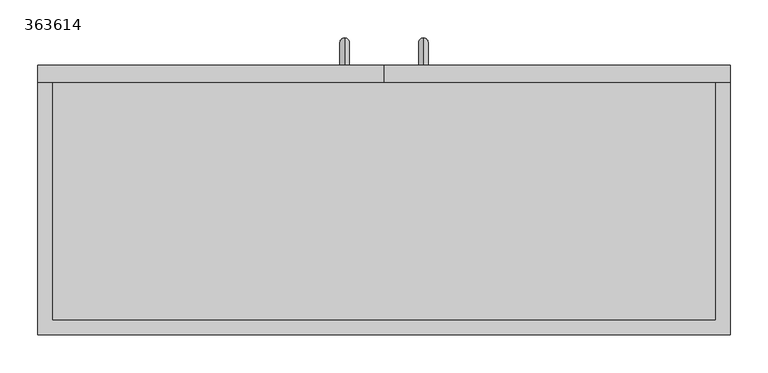
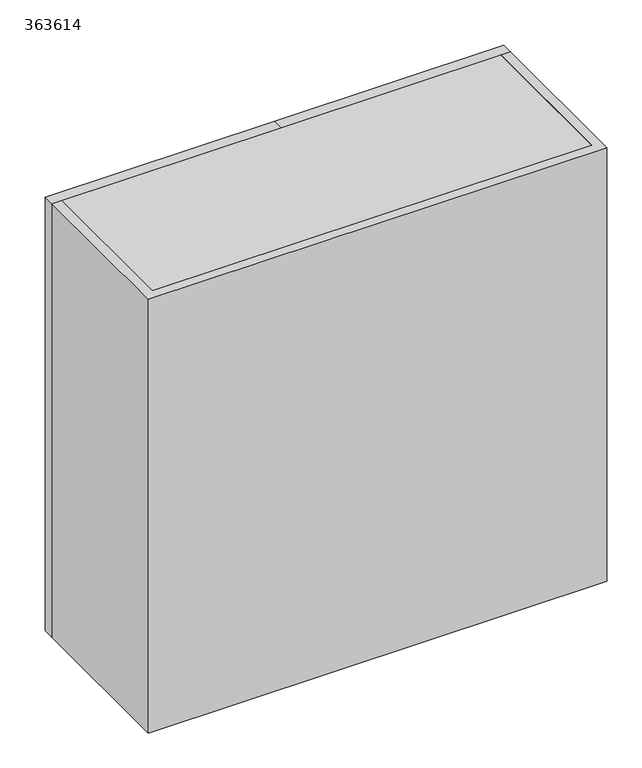
"""IFC4 building model written with IfcOpenShell, lengths in millimetres: furniture geometry, 363614."""

from ifc_helpers import new_model, si_unit, frame, origin, place, context, project, spatial, polyline, circle_curve, ellipse_curve, outline, extrude, source, transform, mapped, element, save
from ifc_brep_helpers import plane_surface, cylinder_surface, advanced_brep


def furniture_363614_cc723a0d(model_context):
    return source(origin(), model_context, "Body", "SolidModel", [
        extrude(outline(polyline([(457.2, 397.1), (0.0, 397.1), (0.0, 419.1), (457.2, 419.1), (457.2, 397.1)])), frame((0.0, 0.0, 1219.2), z_axis=(0.0, 0.0, 1.0), x_axis=(1.0, 0.0, 0.0)), (0.0, 0.0, 1.0), 914.4),
        extrude(outline(polyline([(0.0, 397.1), (-457.2, 397.1), (-457.2, 419.1), (0.0, 419.1), (0.0, 397.1)])), frame((0.0, 0.0, 1219.2), z_axis=(0.0, 0.0, 1.0), x_axis=(1.0, 0.0, 0.0)), (0.0, 0.0, 1.0), 914.4),
        extrude(outline(polyline([(438.0, 397.1), (457.2, 397.1), (457.2, 63.5), (-457.2, 63.5), (-457.2, 397.1), (-438.0, 397.1), (-438.0, 82.7), (438.0, 82.7), (438.0, 397.1)])), frame((0.0, 0.0, 1219.2), z_axis=(0.0, 0.0, 1.0), x_axis=(1.0, 0.0, 0.0)), (0.0, 0.0, 1.0), 914.4),
        extrude(outline(polyline([(438.0, 82.7), (-438.0, 82.7), (-438.0, 397.1), (438.0, 397.1), (438.0, 82.7)])), frame((0.0, 0.0, 1816.2666667), z_axis=(0.0, 0.0, 1.0), x_axis=(1.0, 0.0, 0.0)), (0.0, 0.0, 1.0), 19.2),
        extrude(outline(polyline([(438.0, 82.7), (-438.0, 82.7), (-438.0, 397.1), (438.0, 397.1), (438.0, 82.7)])), frame((0.0, 0.0, 1518.1333333), z_axis=(0.0, 0.0, 1.0), x_axis=(1.0, 0.0, 0.0)), (0.0, 0.0, 1.0), 19.2),
        advanced_brep(
        [(-52.0, 419.1, 1337.55), (-52.0, 419.1, 1324.85), (-52.0, 442.75, 1337.55), (-52.0, 455.45, 1324.85), (-52.0, 442.75, 1452.85), (-52.0, 455.45, 1465.55), (-52.0, 419.1, 1452.85), (-52.0, 419.1, 1465.55)],
        [
            (0, 1, circle_curve(frame((-52.0, 419.1, 1331.2), z_axis=(0.0, -1.0, 0.0), x_axis=(0.0, 0.0, -1.0)), 6.35)),
            (1, 0, circle_curve(frame((-52.0, 419.1, 1331.2), z_axis=(0.0, -1.0, 0.0), x_axis=(0.0, 0.0, -1.0)), 6.35)),
            (0, 2),
            (2, 3, ellipse_curve(frame((-52.0, 449.1, 1331.2), z_axis=(0.0, -0.7071067811865475, -0.7071067811865475), x_axis=(0.0, -0.7071067811865476, 0.7071067811865474)), 8.9802561, 6.35)),
            (3, 1),
            (3, 2, ellipse_curve(frame((-52.0, 449.1, 1331.2), z_axis=(0.0, -0.7071067811865475, -0.7071067811865475), x_axis=(0.0, -0.7071067811865476, 0.7071067811865474)), 8.9802561, 6.35)),
            (2, 4),
            (4, 5, ellipse_curve(frame((-52.0, 449.1, 1459.2), z_axis=(0.0, 0.7071067811865475, -0.7071067811865475), x_axis=(0.0, -0.7071067811865474, -0.7071067811865476)), 8.9802561, 6.35)),
            (5, 3),
            (5, 4, ellipse_curve(frame((-52.0, 449.1, 1459.2), z_axis=(0.0, 0.7071067811865475, -0.7071067811865475), x_axis=(0.0, -0.7071067811865474, -0.7071067811865476)), 8.9802561, 6.35)),
            (6, 7, circle_curve(frame((-52.0, 419.1, 1459.2), z_axis=(0.0, -1.0, 0.0), x_axis=(0.0, 0.0, 1.0)), 6.35)),
            (7, 6, circle_curve(frame((-52.0, 419.1, 1459.2), z_axis=(0.0, -1.0, 0.0), x_axis=(0.0, 0.0, 1.0)), 6.35)),
            (4, 6),
            (7, 5),
        ],
        [
            plane_surface(frame((-52.0, 419.1, 1331.2), z_axis=(0.0, -1.0, 0.0), x_axis=(-1.0, 0.0, 0.0))),
            cylinder_surface(frame((-52.0, 419.1, 1331.2), z_axis=(0.0, -1.0, 0.0), x_axis=(0.0, 0.0, -1.0)), 6.35),
            cylinder_surface(frame((-52.0, 449.1, 1331.2), z_axis=(0.0, 0.0, -1.0), x_axis=(0.0, 1.0, 0.0)), 6.35),
            plane_surface(frame((-52.0, 419.1, 1459.2), z_axis=(0.0, -1.0, 0.0), x_axis=(-1.0, 0.0, 0.0))),
            cylinder_surface(frame((-52.0, 449.1, 1459.2), z_axis=(0.0, 1.0, 0.0), x_axis=(0.0, 0.0, 1.0)), 6.35),
        ],
        [
            (0, [[1, 2]]),
            (1, [[-1, 3, 4, 5]]),
            (1, [[-2, -5, 6, -3]]),
            (2, [[-4, 7, 8, 9]]),
            (2, [[-6, -9, 10, -7]]),
            (3, [[11, 12]]),
            (4, [[-8, 13, -12, 14]]),
            (4, [[-10, -14, -11, -13]]),
        ],
    ),
        advanced_brep(
        [(52.0, 419.1, 1337.55), (52.0, 419.1, 1324.85), (52.0, 442.75, 1337.55), (52.0, 455.45, 1324.85), (52.0, 442.75, 1452.85), (52.0, 455.45, 1465.55), (52.0, 419.1, 1452.85), (52.0, 419.1, 1465.55)],
        [
            (0, 1, circle_curve(frame((52.0, 419.1, 1331.2), z_axis=(0.0, -1.0, 0.0), x_axis=(0.0, 0.0, -1.0)), 6.35)),
            (1, 0, circle_curve(frame((52.0, 419.1, 1331.2), z_axis=(0.0, -1.0, 0.0), x_axis=(0.0, 0.0, -1.0)), 6.35)),
            (0, 2),
            (2, 3, ellipse_curve(frame((52.0, 449.1, 1331.2), z_axis=(0.0, -0.7071067811865475, -0.7071067811865475), x_axis=(0.0, -0.7071067811865476, 0.7071067811865474)), 8.9802561, 6.35)),
            (3, 1),
            (3, 2, ellipse_curve(frame((52.0, 449.1, 1331.2), z_axis=(0.0, -0.7071067811865475, -0.7071067811865475), x_axis=(0.0, -0.7071067811865476, 0.7071067811865474)), 8.9802561, 6.35)),
            (2, 4),
            (4, 5, ellipse_curve(frame((52.0, 449.1, 1459.2), z_axis=(0.0, 0.7071067811865475, -0.7071067811865475), x_axis=(0.0, -0.7071067811865474, -0.7071067811865476)), 8.9802561, 6.35)),
            (5, 3),
            (5, 4, ellipse_curve(frame((52.0, 449.1, 1459.2), z_axis=(0.0, 0.7071067811865475, -0.7071067811865475), x_axis=(0.0, -0.7071067811865474, -0.7071067811865476)), 8.9802561, 6.35)),
            (6, 7, circle_curve(frame((52.0, 419.1, 1459.2), z_axis=(0.0, -1.0, 0.0), x_axis=(0.0, 0.0, 1.0)), 6.35)),
            (7, 6, circle_curve(frame((52.0, 419.1, 1459.2), z_axis=(0.0, -1.0, 0.0), x_axis=(0.0, 0.0, 1.0)), 6.35)),
            (4, 6),
            (7, 5),
        ],
        [
            plane_surface(frame((52.0, 419.1, 1331.2), z_axis=(0.0, -1.0, 0.0), x_axis=(-1.0, 0.0, 0.0))),
            cylinder_surface(frame((52.0, 419.1, 1331.2), z_axis=(0.0, -1.0, 0.0), x_axis=(0.0, 0.0, -1.0)), 6.35),
            cylinder_surface(frame((52.0, 449.1, 1331.2), z_axis=(0.0, 0.0, -1.0), x_axis=(0.0, 1.0, 0.0)), 6.35),
            plane_surface(frame((52.0, 419.1, 1459.2), z_axis=(0.0, -1.0, 0.0), x_axis=(-1.0, 0.0, 0.0))),
            cylinder_surface(frame((52.0, 449.1, 1459.2), z_axis=(0.0, 1.0, 0.0), x_axis=(0.0, 0.0, 1.0)), 6.35),
        ],
        [
            (0, [[1, 2]]),
            (1, [[-1, 3, 4, 5]]),
            (1, [[-2, -5, 6, -3]]),
            (2, [[-4, 7, 8, 9]]),
            (2, [[-6, -9, 10, -7]]),
            (3, [[11, 12]]),
            (4, [[-8, 13, -12, 14]]),
            (4, [[-10, -14, -11, -13]]),
        ],
    ),
        extrude(outline(polyline([(438.0, 397.1), (438.0, 82.7), (-438.0, 82.7), (-438.0, 397.1), (438.0, 397.1)])), frame((0.0, 0.0, 2111.6), z_axis=(0.0, 0.0, 1.0), x_axis=(1.0, 0.0, 0.0)), (0.0, 0.0, 1.0), 22.0),
        extrude(outline(polyline([(438.0, 397.1), (438.0, 82.7), (-438.0, 82.7), (-438.0, 397.1), (438.0, 397.1)])), frame((0.0, 0.0, 1219.2), z_axis=(0.0, 0.0, 1.0), x_axis=(1.0, 0.0, 0.0)), (0.0, 0.0, 1.0), 20.0),
    ])


if __name__ == "__main__":
    model = new_model("IFC4")
    model_context = context("Model", 3, world=origin())
    ifc_project = project(units=[si_unit("LENGTHUNIT", "METRE", prefix="MILLI")], contexts=[model_context])
    site = spatial("IfcSite", under=ifc_project)
    building = spatial("IfcBuilding", under=site)
    placement = place(None, origin())
    furniture_363614_shape = furniture_363614_cc723a0d(model_context)
    element("IfcFurniture", 1, ObjectType="363614", at=placement, inside=building, context=model_context, shape_type="MappedRepresentation", body=[
        mapped(furniture_363614_shape, transform((0.0, 0.0, 0.0), x_axis=(1.0, 0.0, 0.0), y_axis=(0.0, 1.0, 0.0), z_axis=(0.0, 0.0, 1.0))),
    ])
    save(model, "model.ifc")
